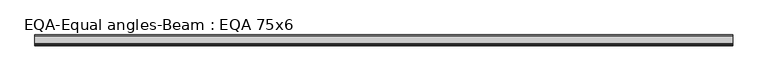
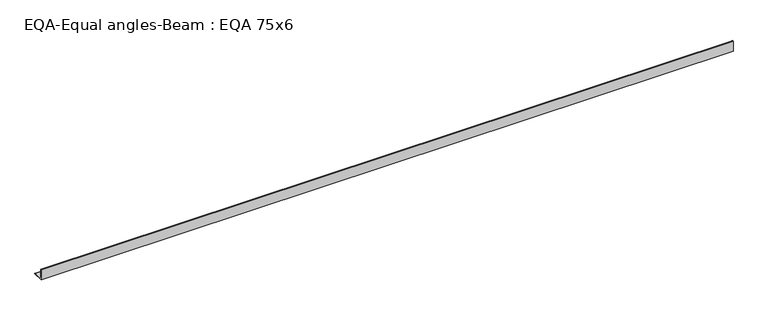
"""IFC4 building model written with IfcOpenShell, lengths in millimetres: beam geometry, EQA-Equal angles-Beam : EQA 75x6."""

from ifc_helpers import new_model, si_unit, point, frame, frame_2d, origin, place, context, project, spatial, polyline, circle_curve, trimmed, segment, composite_curve, outline, extrude, source, transform, mapped, element, save


def eqa_equal_angles_beam_eqa_75x6_a37bd450(model_context):
    return source(origin(), model_context, "Body", "SweptSolid", [
        extrude(outline(composite_curve([segment(polyline([(-20.5, -20.5), (-20.5, 54.5), (-19.0, 54.5)]), True, "CONTINUOUS"), segment(trimmed(circle_curve(frame_2d((-19.0, 50.0)), 4.5), [point((-19.0, 54.5))], [point((-14.5, 50.0))], False, "CARTESIAN"), True, "CONTINUOUS"), segment(polyline([(-14.5, 50.0), (-14.5, -5.5)]), True, "CONTINUOUS"), segment(trimmed(circle_curve(frame_2d((-5.5, -5.5)), 9.0), [point((-14.5, -5.5))], [point((-5.5, -14.5))], True, "CARTESIAN"), True, "CONTINUOUS"), segment(polyline([(-5.5, -14.5), (50.0, -14.5)]), True, "CONTINUOUS"), segment(trimmed(circle_curve(frame_2d((50.0, -19.0)), 4.5), [point((50.0, -14.5))], [point((54.5, -19.0))], False, "CARTESIAN"), True, "CONTINUOUS"), segment(polyline([(54.5, -19.0), (54.5, -20.5), (-20.5, -20.5)]), True, "CONTINUOUS")], self_intersect=False)), frame((-2425.116553, 0.0, 0.0), z_axis=(1.0, 0.0, 0.0), x_axis=(0.0, 1.0, 0.0)), (0.0, 0.0, 1.0), 4880.6845147),
    ])


if __name__ == "__main__":
    model = new_model("IFC4")
    model_context = context("Model", 3, world=origin())
    ifc_project = project(units=[si_unit("LENGTHUNIT", "METRE", prefix="MILLI")], contexts=[model_context])
    site = spatial("IfcSite", under=ifc_project)
    building = spatial("IfcBuilding", under=site)
    placement = place(None, origin())
    eqa_equal_angles_beam_eqa_75x6_shape = eqa_equal_angles_beam_eqa_75x6_a37bd450(model_context)
    element("IfcBeam", 1, ObjectType="EQA-Equal angles-Beam : EQA 75x6", at=placement, inside=building, context=model_context, shape_type="MappedRepresentation", body=[
        mapped(eqa_equal_angles_beam_eqa_75x6_shape, transform((0.0, 0.0, 0.0), x_axis=(1.0, 0.0, 0.0), y_axis=(0.0, 1.0, 0.0), z_axis=(0.0, 0.0, 1.0))),
    ])
    save(model, "model.ifc")
